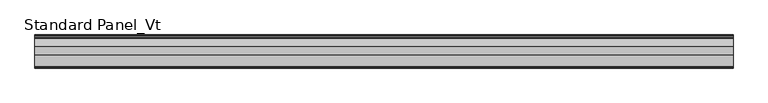
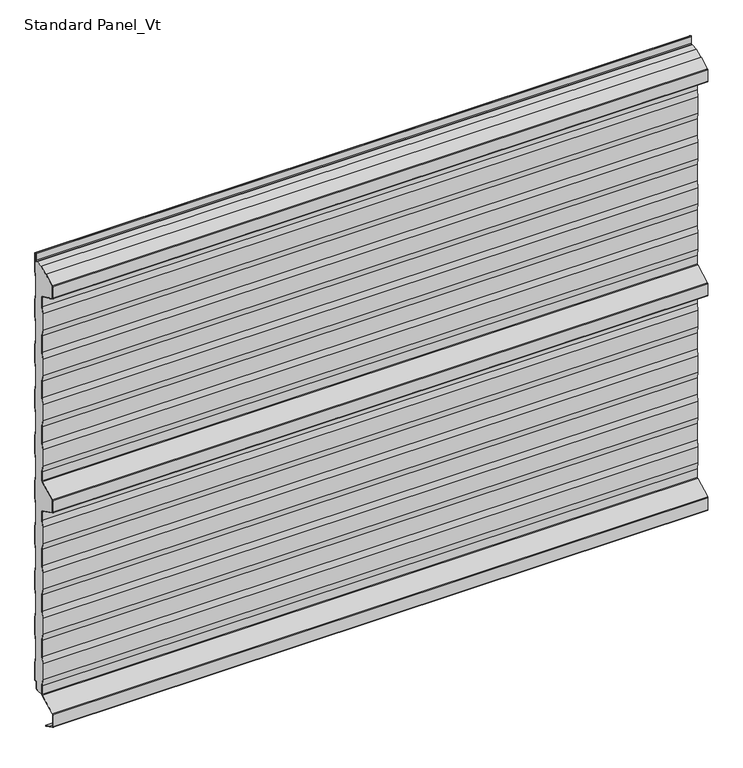
"""IFC4 building model written with IfcOpenShell, lengths in millimetres: proxy geometry, Standard Panel_Vt."""

from ifc_helpers import new_model, si_unit, point, frame, frame_2d, origin, place, context, project, spatial, polyline, circle_curve, trimmed, segment, composite_curve, outline, extrude, source, transform, mapped, element, save
from ifc_brep_helpers import plane_surface, cylinder_surface, revolved_surface, advanced_brep


def standard_panel_vt_1b598bd1(model_context):
    return source(origin(), model_context, "Body", "SolidModel", [
        advanced_brep(
        [(-723.9042608, -26.7, 964.8661831), (-723.9042608, -27.9724364, 966.9238791), (-723.9042608, -55.0045421, 980.423058), (-723.9042608, -55.7702853, 980.6504112), (-723.9042608, -57.4301555, 980.8405987), (-723.9042608, -65.9201502, 985.0802964), (-723.9042608, -66.75, 986.4222721), (-723.9042608, -66.75, 1013.5777279), (-723.9042608, -65.9201502, 1014.9197036), (-723.9042608, -24.25, 1035.7287673), (-723.9042608, -8.130172, 1035.8383571), (-723.9042608, -8.130172, 1035.0383571), (-723.9042608, -6.2001721, 1035.0383571), (-723.9042608, -4.0001723, 1037.2383568), (-723.9042608, -4.0001723, 1053.568183), (-723.9042608, -0.8, 1051.4917405), (-723.9042608, -0.8, 1010.6395671), (-723.9042608, -3.3, 995.6395671), (-723.9042608, -3.3, 957.5071471), (-723.9042608, -0.8, 942.5071471), (-723.9042608, -0.8, 904.6395671), (-723.9042608, -3.3, 889.6395671), (-723.9042608, -3.3, 851.5071471), (-723.9042608, -0.8, 836.5071471), (-723.9042608, -0.8, 798.6395671), (-723.9042608, -3.3, 783.6395671), (-723.9042608, -3.3, 745.5071471), (-723.9042608, -0.8, 730.5071471), (-723.9042608, -0.8, 692.6395671), (-723.9042608, -3.3, 677.6395671), (-723.9042608, -3.3, 639.5071471), (-723.9042608, -0.8, 624.5071471), (-723.9042608, -0.8, 586.1395671), (-723.9042608, -3.3, 571.1395671), (-723.9042608, -3.3, 533.0071471), (-723.9042608, -0.8, 518.0071471), (-723.9042608, -0.8, 480.6395671), (-723.9042608, -3.3, 465.6395671), (-723.9042608, -3.3, 427.5071471), (-723.9042608, -0.8, 412.5071471), (-723.9042608, -0.8, 374.6395671), (-723.9042608, -3.3, 359.6395671), (-723.9042608, -3.3, 321.5071471), (-723.9042608, -0.8, 306.5071471), (-723.9042608, -0.8, 268.6395671), (-723.9042608, -3.3, 253.6395671), (-723.9042608, -3.3, 215.5071471), (-723.9042608, -0.8, 200.5071471), (-723.9042608, -0.8, 162.6395671), (-723.9042608, -3.3, 147.6395671), (-723.9042608, -3.3, 109.5071471), (-723.9042608, -0.8, 94.5071471), (-723.9042608, -0.8, 53.3990389), (-723.9042608, -3.3204106, 55.0344157), (-723.9042608, -6.1001721, 53.5244265), (-723.9042608, -6.1001721, 37.9383564), (-723.9042608, -7.4001714, 36.6383571), (-723.9042608, -9.4001722, 36.6383571), (-723.9042608, -9.4001722, 35.8), (-723.9042608, -27.1622719, 35.7673446), (-723.9042608, -26.7, 37.3959608), (-723.9042608, -26.7, 57.6094989), (-723.9042608, -29.2, 72.448892), (-723.9042608, -29.2, 110.5241033), (-723.9042608, -26.7, 125.3634964), (-723.9042608, -26.7, 163.6094989), (-723.9042608, -29.2, 178.448892), (-723.9042608, -29.2, 216.5241033), (-723.9042608, -26.7, 231.3634964), (-723.9042608, -26.7, 269.6094989), (-723.9042608, -29.2, 284.448892), (-723.9042608, -29.2, 322.5241033), (-723.9042608, -26.7, 337.3634964), (-723.9042608, -26.7, 375.6094989), (-723.9042608, -29.2, 390.448892), (-723.9042608, -29.2, 428.5241033), (-723.9042608, -26.7, 443.3634964), (-723.9042608, -26.7, 463.5777279), (-723.9042608, -28.415023, 466.3511443), (-723.9042608, -65.9201502, 485.0802964), (-723.9042608, -66.75, 486.4222721), (-723.9042608, -66.75, 513.5777279), (-723.9042608, -65.9201502, 514.9197036), (-723.9042608, -28.415023, 533.6488557), (-723.9042608, -26.7, 536.4222721), (-723.9042608, -26.7, 556.6365036), (-723.9042608, -29.2, 571.4758967), (-723.9042608, -29.2, 609.551108), (-723.9042608, -26.7, 624.3905011), (-723.9042608, -26.7, 662.6365036), (-723.9042608, -29.2, 677.4758967), (-723.9042608, -29.2, 715.551108), (-723.9042608, -26.7, 730.3905011), (-723.9042608, -26.7, 768.6365036), (-723.9042608, -29.2, 783.4758967), (-723.9042608, -29.2, 821.551108), (-723.9042608, -26.7, 836.3905011), (-723.9042608, -26.7, 874.6365036), (-723.9042608, -29.2, 889.4758967), (-723.9042608, -29.2, 927.551108), (-723.9042608, -26.7, 942.3905011), (723.9042608, -26.7, 964.8661831), (723.9042608, -26.7, 942.3905011), (723.9042608, -29.2, 927.551108), (723.9042608, -29.2, 889.4758967), (723.9042608, -26.7, 874.6365036), (723.9042608, -26.7, 836.3905011), (723.9042608, -29.2, 821.551108), (723.9042608, -29.2, 783.4758967), (723.9042608, -26.7, 768.6365036), (723.9042608, -26.7, 730.3905011), (723.9042608, -29.2, 715.551108), (723.9042608, -29.2, 677.4758967), (723.9042608, -26.7, 662.6365036), (723.9042608, -26.7, 624.3905011), (723.9042608, -29.2, 609.551108), (723.9042608, -29.2, 571.4758967), (723.9042608, -26.7, 556.6365036), (723.9042608, -26.7, 536.4222721), (723.9042608, -28.415023, 533.6488557), (723.9042608, -65.9201502, 514.9197036), (723.9042608, -66.75, 513.5777279), (723.9042608, -66.75, 486.4222721), (723.9042608, -65.9201502, 485.0802964), (723.9042608, -28.415023, 466.3511443), (723.9042608, -26.7, 463.5777279), (723.9042608, -26.7, 443.3634964), (723.9042608, -29.2, 428.5241033), (723.9042608, -29.2, 390.448892), (723.9042608, -26.7, 375.6094989), (723.9042608, -26.7, 337.3634964), (723.9042608, -29.2, 322.5241033), (723.9042608, -29.2, 284.448892), (723.9042608, -26.7, 269.6094989), (723.9042608, -26.7, 231.3634964), (723.9042608, -29.2, 216.5241033), (723.9042608, -29.2, 178.448892), (723.9042608, -26.7, 163.6094989), (723.9042608, -26.7, 125.3634964), (723.9042608, -29.2, 110.5241033), (723.9042608, -29.2, 72.448892), (723.9042608, -26.7, 57.6094989), (723.9042608, -26.7, 37.3959608), (723.9042608, -27.1622719, 35.7673446), (723.9042608, -9.4001722, 35.8), (723.9042608, -9.4001722, 36.6383571), (723.9042608, -7.4001714, 36.6383571), (723.9042608, -6.1001721, 37.9383564), (723.9042608, -6.1001721, 53.5244265), (723.9042608, -3.3204106, 55.0344157), (723.9042608, -0.8, 53.3990389), (723.9042608, -0.8, 94.5071471), (723.9042608, -3.3, 109.5071471), (723.9042608, -3.3, 147.6395671), (723.9042608, -0.8, 162.6395671), (723.9042608, -0.8, 200.5071471), (723.9042608, -3.3, 215.5071471), (723.9042608, -3.3, 253.6395671), (723.9042608, -0.8, 268.6395671), (723.9042608, -0.8, 306.5071471), (723.9042608, -3.3, 321.5071471), (723.9042608, -3.3, 359.6395671), (723.9042608, -0.8, 374.6395671), (723.9042608, -0.8, 412.5071471), (723.9042608, -3.3, 427.5071471), (723.9042608, -3.3, 465.6395671), (723.9042608, -0.8, 480.6395671), (723.9042608, -0.8, 518.0071471), (723.9042608, -3.3, 533.0071471), (723.9042608, -3.3, 571.1395671), (723.9042608, -0.8, 586.1395671), (723.9042608, -0.8, 624.5071471), (723.9042608, -3.3, 639.5071471), (723.9042608, -3.3, 677.6395671), (723.9042608, -0.8, 692.6395671), (723.9042608, -0.8, 730.5071471), (723.9042608, -3.3, 745.5071471), (723.9042608, -3.3, 783.6395671), (723.9042608, -0.8, 798.6395671), (723.9042608, -0.8, 836.5071471), (723.9042608, -3.3, 851.5071471), (723.9042608, -3.3, 889.6395671), (723.9042608, -0.8, 904.6395671), (723.9042608, -0.8, 942.5071471), (723.9042608, -3.3, 957.5071471), (723.9042608, -3.3, 995.6395671), (723.9042608, -0.8, 1010.6395671), (723.9042608, -0.8, 1051.4917405), (723.9042608, -4.0001723, 1053.568183), (723.9042608, -4.0001723, 1037.2383568), (723.9042608, -6.2001721, 1035.0383571), (723.9042608, -8.130172, 1035.0383571), (723.9042608, -8.130172, 1035.8383571), (723.9042608, -24.25, 1035.8), (723.9042608, -65.9201502, 1014.9197036), (723.9042608, -66.75, 1013.5777279), (723.9042608, -66.75, 986.4222721), (723.9042608, -65.9201502, 985.0802964), (723.9042608, -57.4301555, 980.8405987), (723.9042608, -55.7702853, 980.6504112), (723.9042608, -55.0045421, 980.423058), (723.9042608, -27.9724364, 966.9238791)],
        [
            (0, 1, circle_curve(frame((-723.9042608, -29.0, 964.8661831), z_axis=(1.0, 0.0, 0.0), x_axis=(0.0, 0.0, 1.0)), 2.3)),
            (1, 2),
            (2, 3, circle_curve(frame((-723.9042608, -56.0321057, 978.3653619), z_axis=(1.0, 0.0, 0.0), x_axis=(0.0, 0.0, 1.0)), 2.3)),
            (3, 4),
            (4, 5),
            (5, 6, circle_curve(frame((-723.9042608, -65.25, 986.4222721), z_axis=(-1.0, 0.0, 0.0), x_axis=(0.0, 0.0, 1.0)), 1.5)),
            (6, 7),
            (7, 8, circle_curve(frame((-723.9042608, -65.25, 1013.5777279), z_axis=(-1.0, 0.0, 0.0), x_axis=(0.0, 0.0, 1.0)), 1.5)),
            (8, 9),
            (9, 10),
            (10, 11),
            (11, 12),
            (12, 13, circle_curve(frame((-723.9042608, -6.2001721, 1037.2383568), z_axis=(1.0, 0.0, 0.0), x_axis=(0.0, 0.0, 1.0)), 2.1999997)),
            (13, 14),
            (14, 15),
            (15, 16),
            (16, 17),
            (17, 18),
            (18, 19),
            (19, 20),
            (20, 21),
            (21, 22),
            (22, 23),
            (23, 24),
            (24, 25),
            (25, 26),
            (26, 27),
            (27, 28),
            (28, 29),
            (29, 30),
            (30, 31),
            (31, 32),
            (32, 33),
            (33, 34),
            (34, 35),
            (35, 36),
            (36, 37),
            (37, 38),
            (38, 39),
            (39, 40),
            (40, 41),
            (41, 42),
            (42, 43),
            (43, 44),
            (44, 45),
            (45, 46),
            (46, 47),
            (47, 48),
            (48, 49),
            (49, 50),
            (50, 51),
            (51, 52),
            (52, 53),
            (53, 54, circle_curve(frame((-723.9042608, -4.3001721, 53.5244265), z_axis=(1.0, 0.0, 0.0), x_axis=(0.0, 0.0, 1.0)), 1.8)),
            (54, 55),
            (55, 56, circle_curve(frame((-723.9042608, -7.4001714, 37.9383564), z_axis=(-1.0, 0.0, 0.0), x_axis=(0.0, 0.0, 1.0)), 1.2999993)),
            (56, 57),
            (57, 58),
            (58, 59),
            (59, 60, circle_curve(frame((-723.9042608, -29.8, 37.3959608), z_axis=(1.0, 0.0, 0.0), x_axis=(0.0, 0.0, 1.0)), 3.1)),
            (60, 61),
            (61, 62),
            (62, 63),
            (63, 64),
            (64, 65),
            (65, 66),
            (66, 67),
            (67, 68),
            (68, 69),
            (69, 70),
            (70, 71),
            (71, 72),
            (72, 73),
            (73, 74),
            (74, 75),
            (75, 76),
            (76, 77),
            (77, 78, circle_curve(frame((-723.9042608, -29.8, 463.5777279), z_axis=(1.0, 0.0, 0.0), x_axis=(0.0, 0.0, 1.0)), 3.1)),
            (78, 79),
            (79, 80, circle_curve(frame((-723.9042608, -65.25, 486.4222721), z_axis=(-1.0, 0.0, 0.0), x_axis=(0.0, 0.0, 1.0)), 1.5)),
            (80, 81),
            (81, 82, circle_curve(frame((-723.9042608, -65.25, 513.5777279), z_axis=(-1.0, 0.0, 0.0), x_axis=(0.0, 0.0, 1.0)), 1.5)),
            (82, 83),
            (83, 84, circle_curve(frame((-723.9042608, -29.8, 536.4222721), z_axis=(1.0, 0.0, 0.0), x_axis=(0.0, 0.0, 1.0)), 3.1)),
            (84, 85),
            (85, 86),
            (86, 87),
            (87, 88),
            (88, 89),
            (89, 90),
            (90, 91),
            (91, 92),
            (92, 93),
            (93, 94),
            (94, 95),
            (95, 96),
            (96, 97),
            (97, 98),
            (98, 99),
            (99, 100),
            (100, 0),
            (101, 102),
            (102, 103),
            (103, 104),
            (104, 105),
            (105, 106),
            (106, 107),
            (107, 108),
            (108, 109),
            (109, 110),
            (110, 111),
            (111, 112),
            (112, 113),
            (113, 114),
            (114, 115),
            (115, 116),
            (116, 117),
            (117, 118),
            (118, 119, circle_curve(frame((723.9042608, -29.8, 536.4222721), z_axis=(-1.0, 0.0, 0.0), x_axis=(0.0, 0.0, 1.0)), 3.1)),
            (119, 120),
            (120, 121, circle_curve(frame((723.9042608, -65.25, 513.5777279), z_axis=(1.0, 0.0, 0.0), x_axis=(0.0, 0.0, 1.0)), 1.5)),
            (121, 122),
            (122, 123, circle_curve(frame((723.9042608, -65.25, 486.4222721), z_axis=(1.0, 0.0, 0.0), x_axis=(0.0, 0.0, 1.0)), 1.5)),
            (123, 124),
            (124, 125, circle_curve(frame((723.9042608, -29.8, 463.5777279), z_axis=(-1.0, 0.0, 0.0), x_axis=(0.0, 0.0, 1.0)), 3.1)),
            (125, 126),
            (126, 127),
            (127, 128),
            (128, 129),
            (129, 130),
            (130, 131),
            (131, 132),
            (132, 133),
            (133, 134),
            (134, 135),
            (135, 136),
            (136, 137),
            (137, 138),
            (138, 139),
            (139, 140),
            (140, 141),
            (141, 142),
            (142, 143, circle_curve(frame((723.9042608, -29.8, 37.3959608), z_axis=(-1.0, 0.0, 0.0), x_axis=(0.0, 0.0, 1.0)), 3.1)),
            (143, 144),
            (144, 145),
            (145, 146),
            (146, 147, circle_curve(frame((723.9042608, -7.4001714, 37.9383564), z_axis=(1.0, 0.0, 0.0), x_axis=(0.0, 0.0, 1.0)), 1.2999993)),
            (147, 148),
            (148, 149, circle_curve(frame((723.9042608, -4.3001721, 53.5244265), z_axis=(-1.0, 0.0, 0.0), x_axis=(0.0, 0.0, 1.0)), 1.8)),
            (149, 150),
            (150, 151),
            (151, 152),
            (152, 153),
            (153, 154),
            (154, 155),
            (155, 156),
            (156, 157),
            (157, 158),
            (158, 159),
            (159, 160),
            (160, 161),
            (161, 162),
            (162, 163),
            (163, 164),
            (164, 165),
            (165, 166),
            (166, 167),
            (167, 168),
            (168, 169),
            (169, 170),
            (170, 171),
            (171, 172),
            (172, 173),
            (173, 174),
            (174, 175),
            (175, 176),
            (176, 177),
            (177, 178),
            (178, 179),
            (179, 180),
            (180, 181),
            (181, 182),
            (182, 183),
            (183, 184),
            (184, 185),
            (185, 186),
            (186, 187),
            (187, 188),
            (188, 189),
            (189, 190, circle_curve(frame((723.9042608, -6.2001721, 1037.2383568), z_axis=(-1.0, 0.0, 0.0), x_axis=(0.0, 0.0, 1.0)), 2.1999997)),
            (190, 191),
            (191, 192),
            (192, 193),
            (193, 194),
            (194, 195, circle_curve(frame((723.9042608, -65.25, 1013.5777279), z_axis=(1.0, 0.0, 0.0), x_axis=(0.0, 0.0, 1.0)), 1.5)),
            (195, 196),
            (196, 197, circle_curve(frame((723.9042608, -65.25, 986.4222721), z_axis=(1.0, 0.0, 0.0), x_axis=(0.0, 0.0, 1.0)), 1.5)),
            (197, 198),
            (198, 199),
            (199, 200, circle_curve(frame((723.9042608, -56.0321057, 978.3653619), z_axis=(-1.0, 0.0, 0.0), x_axis=(0.0, 0.0, 1.0)), 2.3)),
            (200, 201),
            (201, 101, circle_curve(frame((723.9042608, -29.0, 964.8661831), z_axis=(-1.0, 0.0, 0.0), x_axis=(0.0, 0.0, 1.0)), 2.3)),
            (0, 101),
            (201, 1),
            (200, 2),
            (199, 3),
            (198, 4),
            (197, 5),
            (196, 6),
            (195, 7),
            (194, 8),
            (193, 9),
            (58, 144),
            (143, 59),
            (142, 60),
            (141, 61),
            (140, 62),
            (139, 63),
            (138, 64),
            (137, 65),
            (136, 66),
            (135, 67),
            (134, 68),
            (133, 69),
            (132, 70),
            (131, 71),
            (130, 72),
            (129, 73),
            (128, 74),
            (127, 75),
            (126, 76),
            (125, 77),
            (124, 78),
            (123, 79),
            (122, 80),
            (121, 81),
            (120, 82),
            (119, 83),
            (118, 84),
            (117, 85),
            (116, 86),
            (115, 87),
            (114, 88),
            (113, 89),
            (112, 90),
            (111, 91),
            (110, 92),
            (109, 93),
            (108, 94),
            (107, 95),
            (106, 96),
            (105, 97),
            (104, 98),
            (103, 99),
            (102, 100),
            (192, 10),
            (57, 145),
            (12, 190),
            (189, 13),
            (188, 14),
            (187, 15),
            (186, 16),
            (185, 17),
            (184, 18),
            (183, 19),
            (182, 20),
            (181, 21),
            (180, 22),
            (179, 23),
            (178, 24),
            (177, 25),
            (176, 26),
            (175, 27),
            (174, 28),
            (173, 29),
            (172, 30),
            (171, 31),
            (170, 32),
            (169, 33),
            (168, 34),
            (167, 35),
            (166, 36),
            (165, 37),
            (164, 38),
            (163, 39),
            (162, 40),
            (161, 41),
            (160, 42),
            (159, 43),
            (158, 44),
            (157, 45),
            (156, 46),
            (155, 47),
            (154, 48),
            (153, 49),
            (152, 50),
            (151, 51),
            (150, 52),
            (149, 53),
            (148, 54),
            (147, 55),
            (146, 56),
            (191, 11),
        ],
        [
            plane_surface(frame((-723.9042608, -29.2, 500.0), z_axis=(-1.0, 0.0, 0.0), x_axis=(0.0, 1.0, 0.0))),
            plane_surface(frame((723.9042608, -29.2, 500.0), z_axis=(1.0, 0.0, 0.0), x_axis=(0.0, 1.0, 0.0))),
            revolved_surface(polyline([(723.9042608, -29.0, 967.1661830999999), (-723.9042608, -29.0, 967.1661830999999)]), (-723.9042608, -29.0, 964.8661831), (1.0, 0.0, 0.0)),
            plane_surface(frame((-723.9042608, -55.0045421, 980.423058), z_axis=(0.0, -0.44676677293789996, -0.8946504628058127), x_axis=(1.0, 0.0, 0.0))),
            revolved_surface(polyline([(723.9042608, -56.0321057, 980.6653619), (-723.9042608, -56.0321057, 980.6653619)]), (-723.9042608, -56.0321057, 978.3653619), (1.0, 0.0, 0.0)),
            plane_surface(frame((-723.9042608, -57.4301555, 980.8405987), z_axis=(0.0, -0.11383496024223502, -0.9934996737929253), x_axis=(1.0, 0.0, 0.0))),
            plane_surface(frame((-723.9042608, -65.9201502, 985.0802964), z_axis=(0.0, -0.44676677293837186, -0.8946504628055771), x_axis=(1.0, 0.0, 0.0))),
            cylinder_surface(frame((-723.9042608, -65.25, 986.4222721), z_axis=(-1.0, 0.0, 0.0), x_axis=(0.0, 0.0, 1.0)), 1.5),
            plane_surface(frame((-723.9042608, -66.75, 1013.5777279), z_axis=(0.0, -1.0, 0.0), x_axis=(1.0, 0.0, 0.0))),
            cylinder_surface(frame((-723.9042608, -65.25, 1013.5777279), z_axis=(-1.0, 0.0, 0.0), x_axis=(0.0, 0.0, 1.0)), 1.5),
            plane_surface(frame((-723.9042608, -24.25, 1035.7287673), z_axis=(0.0, -0.44676677293660805, 0.8946504628064579), x_axis=(1.0, 0.0, 0.0))),
            plane_surface(frame((-723.9042608, -27.1622719, 35.7673446), z_axis=(0.0, 0.0, -1.0), x_axis=(1.0, 0.0, 0.0))),
            revolved_surface(polyline([(723.9042608, -29.8, 40.4959608), (-723.9042608, -29.8, 40.4959608)]), (-723.9042608, -29.8, 37.3959608), (1.0, 0.0, 0.0)),
            plane_surface(frame((-723.9042608, -26.7, 57.6094989), z_axis=(0.0, -1.0, 0.0), x_axis=(1.0, 0.0, 0.0))),
            plane_surface(frame((-723.9042608, -29.2, 72.448892), z_axis=(0.0, -0.9861039564577467, -0.16612942863435845), x_axis=(1.0, 0.0, 0.0))),
            plane_surface(frame((-723.9042608, -29.2, 110.5241033), z_axis=(0.0, -1.0, 0.0), x_axis=(1.0, 0.0, 0.0))),
            plane_surface(frame((-723.9042608, -26.7, 125.3634964), z_axis=(0.0, -0.9861039564577161, 0.1661294286345407), x_axis=(1.0, 0.0, 0.0))),
            plane_surface(frame((-723.9042608, -26.7, 163.6094989), z_axis=(0.0, -1.0, 0.0), x_axis=(1.0, 0.0, 0.0))),
            plane_surface(frame((-723.9042608, -29.2, 178.448892), z_axis=(0.0, -0.986103956457719, -0.16612942863452348), x_axis=(1.0, 0.0, 0.0))),
            plane_surface(frame((-723.9042608, -29.2, 216.5241033), z_axis=(0.0, -1.0, 0.0), x_axis=(1.0, 0.0, 0.0))),
            plane_surface(frame((-723.9042608, -26.7, 231.3634964), z_axis=(0.0, -0.9861039564577161, 0.1661294286345407), x_axis=(1.0, 0.0, 0.0))),
            plane_surface(frame((-723.9042608, -26.7, 269.6094989), z_axis=(0.0, -1.0, 0.0), x_axis=(1.0, 0.0, 0.0))),
            plane_surface(frame((-723.9042608, -29.2, 284.448892), z_axis=(0.0, -0.9861039564577467, -0.16612942863435845), x_axis=(1.0, 0.0, 0.0))),
            plane_surface(frame((-723.9042608, -29.2, 322.5241033), z_axis=(0.0, -1.0, 0.0), x_axis=(1.0, 0.0, 0.0))),
            plane_surface(frame((-723.9042608, -26.7, 337.3634964), z_axis=(0.0, -0.9861039564576843, 0.1661294286347293), x_axis=(1.0, 0.0, 0.0))),
            plane_surface(frame((-723.9042608, -26.7, 375.6094989), z_axis=(0.0, -1.0, 0.0), x_axis=(1.0, 0.0, 0.0))),
            plane_surface(frame((-723.9042608, -29.2, 390.448892), z_axis=(0.0, -0.986103956457719, -0.16612942863452348), x_axis=(1.0, 0.0, 0.0))),
            plane_surface(frame((-723.9042608, -29.2, 428.5241033), z_axis=(0.0, -1.0, 0.0), x_axis=(1.0, 0.0, 0.0))),
            plane_surface(frame((-723.9042608, -26.7, 443.3634964), z_axis=(0.0, -0.9861039564577478, 0.16612942863435207), x_axis=(1.0, 0.0, 0.0))),
            plane_surface(frame((-723.9042608, -26.7, 463.5777279), z_axis=(0.0, -1.0, 0.0), x_axis=(1.0, 0.0, 0.0))),
            revolved_surface(polyline([(723.9042608, -29.8, 466.67772790000004), (-723.9042608, -29.8, 466.67772790000004)]), (-723.9042608, -29.8, 463.5777279), (1.0, 0.0, 0.0)),
            plane_surface(frame((-723.9042608, -65.9201502, 485.0802964), z_axis=(0.0, -0.44676677293736405, -0.8946504628060804), x_axis=(1.0, 0.0, 0.0))),
            cylinder_surface(frame((-723.9042608, -65.25, 486.4222721), z_axis=(-1.0, 0.0, 0.0), x_axis=(0.0, 0.0, 1.0)), 1.5),
            plane_surface(frame((-723.9042608, -66.75, 513.5777279), z_axis=(0.0, -1.0, 0.0), x_axis=(1.0, 0.0, 0.0))),
            cylinder_surface(frame((-723.9042608, -65.25, 513.5777279), z_axis=(-1.0, 0.0, 0.0), x_axis=(0.0, 0.0, 1.0)), 1.5),
            plane_surface(frame((-723.9042608, -28.415023, 533.6488557), z_axis=(0.0, -0.4467667729375559, 0.8946504628059846), x_axis=(1.0, 0.0, 0.0))),
            revolved_surface(polyline([(723.9042608, -29.8, 539.5222721), (-723.9042608, -29.8, 539.5222721)]), (-723.9042608, -29.8, 536.4222721), (1.0, 0.0, 0.0)),
            plane_surface(frame((-723.9042608, -26.7, 556.6365036), z_axis=(0.0, -1.0, 0.0), x_axis=(1.0, 0.0, 0.0))),
            plane_surface(frame((-723.9042608, -29.2, 571.4758967), z_axis=(0.0, -0.9861039564577035, -0.16612942863461475), x_axis=(1.0, 0.0, 0.0))),
            plane_surface(frame((-723.9042608, -29.2, 609.551108), z_axis=(0.0, -1.0, 0.0), x_axis=(1.0, 0.0, 0.0))),
            plane_surface(frame((-723.9042608, -26.7, 624.3905011), z_axis=(0.0, -0.9861039564576689, 0.16612942863482055), x_axis=(1.0, 0.0, 0.0))),
            plane_surface(frame((-723.9042608, -26.7, 662.6365036), z_axis=(0.0, -1.0, 0.0), x_axis=(1.0, 0.0, 0.0))),
            plane_surface(frame((-723.9042608, -29.2, 677.4758967), z_axis=(0.0, -0.986103956457711, -0.16612942863457064), x_axis=(1.0, 0.0, 0.0))),
            plane_surface(frame((-723.9042608, -29.2, 715.551108), z_axis=(0.0, -1.0, 0.0), x_axis=(1.0, 0.0, 0.0))),
            plane_surface(frame((-723.9042608, -26.7, 730.3905011), z_axis=(0.0, -0.9861039564577478, 0.16612942863435207), x_axis=(1.0, 0.0, 0.0))),
            plane_surface(frame((-723.9042608, -26.7, 768.6365036), z_axis=(0.0, -1.0, 0.0), x_axis=(1.0, 0.0, 0.0))),
            plane_surface(frame((-723.9042608, -29.2, 783.4758967), z_axis=(0.0, -0.986103956457715, -0.16612942863454708), x_axis=(1.0, 0.0, 0.0))),
            plane_surface(frame((-723.9042608, -29.2, 821.551108), z_axis=(0.0, -1.0, 0.0), x_axis=(1.0, 0.0, 0.0))),
            plane_surface(frame((-723.9042608, -26.7, 836.3905011), z_axis=(0.0, -0.9861039564577161, 0.1661294286345407), x_axis=(1.0, 0.0, 0.0))),
            plane_surface(frame((-723.9042608, -26.7, 874.6365036), z_axis=(0.0, -1.0, 0.0), x_axis=(1.0, 0.0, 0.0))),
            plane_surface(frame((-723.9042608, -29.2, 889.4758967), z_axis=(0.0, -0.986103956457715, -0.16612942863454708), x_axis=(1.0, 0.0, 0.0))),
            plane_surface(frame((-723.9042608, -29.2, 927.551108), z_axis=(0.0, -1.0, 0.0), x_axis=(1.0, 0.0, 0.0))),
            plane_surface(frame((-723.9042608, -26.7, 942.3905011), z_axis=(0.0, -0.9861039564576843, 0.1661294286347293), x_axis=(1.0, 0.0, 0.0))),
            plane_surface(frame((-723.9042608, -26.7, 964.8661831), z_axis=(0.0, -1.0, 0.0), x_axis=(1.0, 0.0, 0.0))),
            plane_surface(frame((723.9042608, -24.25, 1035.8), z_axis=(0.0, 0.0, 1.0), x_axis=(-1.0, 0.0, 0.0))),
            plane_surface(frame((723.9042608, -9.4001722, 1035.8), z_axis=(0.0, 1.0, 0.0), x_axis=(-1.0, 0.0, 0.0))),
            revolved_surface(polyline([(723.9042608, -6.2001721, 1039.4383565), (-723.9042608, -6.2001721, 1039.4383565)]), (-723.9042608, -6.2001721, 1037.2383568), (1.0, 0.0, 0.0)),
            plane_surface(frame((-723.9042608, -4.0001723, 1053.568183), z_axis=(0.0, -1.0, 0.0), x_axis=(1.0, 0.0, 0.0))),
            plane_surface(frame((-723.9042608, -0.8, 1051.4917405), z_axis=(0.0, 0.5443119480328179, 0.8388828900560071), x_axis=(1.0, 0.0, 0.0))),
            plane_surface(frame((-723.9042608, -0.8, 1010.6395671), z_axis=(0.0, 1.0, 0.0), x_axis=(1.0, 0.0, 0.0))),
            plane_surface(frame((-723.9042608, -3.3, 995.6395671), z_axis=(0.0, 0.9863939238321534, -0.16439898730529956), x_axis=(1.0, 0.0, 0.0))),
            plane_surface(frame((-723.9042608, -3.3, 957.5071471), z_axis=(0.0, 1.0, 0.0), x_axis=(1.0, 0.0, 0.0))),
            plane_surface(frame((-723.9042608, -0.8, 942.5071471), z_axis=(0.0, 0.9863939238321456, 0.1643989873053465), x_axis=(1.0, 0.0, 0.0))),
            plane_surface(frame((-723.9042608, -0.8, 904.6395671), z_axis=(0.0, 1.0, 0.0), x_axis=(1.0, 0.0, 0.0))),
            plane_surface(frame((-723.9042608, -3.3, 889.6395671), z_axis=(0.0, 0.9863939238321452, -0.16439898730534863), x_axis=(1.0, 0.0, 0.0))),
            plane_surface(frame((-723.9042608, -3.3, 851.5071471), z_axis=(0.0, 1.0, 0.0), x_axis=(1.0, 0.0, 0.0))),
            plane_surface(frame((-723.9042608, -0.8, 836.5071471), z_axis=(0.0, 0.9863939238321413, 0.16439898730537209), x_axis=(1.0, 0.0, 0.0))),
            plane_surface(frame((-723.9042608, -0.8, 798.6395671), z_axis=(0.0, 1.0, 0.0), x_axis=(1.0, 0.0, 0.0))),
            plane_surface(frame((-723.9042608, -3.3, 783.6395671), z_axis=(0.0, 0.9863939238321713, -0.164398987305192), x_axis=(1.0, 0.0, 0.0))),
            plane_surface(frame((-723.9042608, -3.3, 745.5071471), z_axis=(0.0, 1.0, 0.0), x_axis=(1.0, 0.0, 0.0))),
            plane_surface(frame((-723.9042608, -0.8, 730.5071471), z_axis=(0.0, 0.9863939238321595, 0.16439898730526276), x_axis=(1.0, 0.0, 0.0))),
            plane_surface(frame((-723.9042608, -0.8, 692.6395671), z_axis=(0.0, 1.0, 0.0), x_axis=(1.0, 0.0, 0.0))),
            plane_surface(frame((-723.9042608, -3.3, 677.6395671), z_axis=(0.0, 0.9863939238321285, -0.16439898730544858), x_axis=(1.0, 0.0, 0.0))),
            plane_surface(frame((-723.9042608, -3.3, 639.5071471), z_axis=(0.0, 1.0, 0.0), x_axis=(1.0, 0.0, 0.0))),
            plane_surface(frame((-723.9042608, -0.8, 624.5071471), z_axis=(0.0, 0.986393923832452, 0.16439898730350827), x_axis=(1.0, 0.0, 0.0))),
            plane_surface(frame((-723.9042608, -0.8, 586.1395671), z_axis=(0.0, 1.0, 0.0), x_axis=(1.0, 0.0, 0.0))),
            plane_surface(frame((-723.9042608, -3.3, 571.1395671), z_axis=(0.0, 0.986393923832151, -0.16439898730531435), x_axis=(1.0, 0.0, 0.0))),
            plane_surface(frame((-723.9042608, -3.3, 533.0071471), z_axis=(0.0, 1.0, 0.0), x_axis=(1.0, 0.0, 0.0))),
            plane_surface(frame((-723.9042608, -0.8, 518.0071471), z_axis=(0.0, 0.9863939238329182, 0.1643989873007107), x_axis=(1.0, 0.0, 0.0))),
            plane_surface(frame((-723.9042608, -0.8, 480.6395671), z_axis=(0.0, 1.0, 0.0), x_axis=(1.0, 0.0, 0.0))),
            plane_surface(frame((-723.9042608, -3.3, 465.6395671), z_axis=(0.0, 0.986393923832576, -0.1643989873027638), x_axis=(1.0, 0.0, 0.0))),
            plane_surface(frame((-723.9042608, -3.3, 427.5071471), z_axis=(0.0, 1.0, 0.0), x_axis=(1.0, 0.0, 0.0))),
            plane_surface(frame((-723.9042608, -0.8, 412.5071471), z_axis=(0.0, 0.9863939238321462, 0.1643989873053435), x_axis=(1.0, 0.0, 0.0))),
            plane_surface(frame((-723.9042608, -0.8, 374.6395671), z_axis=(0.0, 1.0, 0.0), x_axis=(1.0, 0.0, 0.0))),
            plane_surface(frame((-723.9042608, -3.3, 359.6395671), z_axis=(0.0, 0.9863939238321415, -0.16439898730537109), x_axis=(1.0, 0.0, 0.0))),
            plane_surface(frame((-723.9042608, -3.3, 321.5071471), z_axis=(0.0, 1.0, 0.0), x_axis=(1.0, 0.0, 0.0))),
            plane_surface(frame((-723.9042608, -0.8, 306.5071471), z_axis=(0.0, 0.9863939238321462, 0.1643989873053435), x_axis=(1.0, 0.0, 0.0))),
            plane_surface(frame((-723.9042608, -0.8, 268.6395671), z_axis=(0.0, 1.0, 0.0), x_axis=(1.0, 0.0, 0.0))),
            plane_surface(frame((-723.9042608, -3.3, 253.6395671), z_axis=(0.0, 0.9863939238321723, -0.16439898730518634), x_axis=(1.0, 0.0, 0.0))),
            plane_surface(frame((-723.9042608, -3.3, 215.5071471), z_axis=(0.0, 1.0, 0.0), x_axis=(1.0, 0.0, 0.0))),
            plane_surface(frame((-723.9042608, -0.8, 200.5071471), z_axis=(0.0, 0.9863939238321462, 0.1643989873053435), x_axis=(1.0, 0.0, 0.0))),
            plane_surface(frame((-723.9042608, -0.8, 162.6395671), z_axis=(0.0, 1.0, 0.0), x_axis=(1.0, 0.0, 0.0))),
            plane_surface(frame((-723.9042608, -3.3, 147.6395671), z_axis=(0.0, 0.9863939238321415, -0.16439898730537109), x_axis=(1.0, 0.0, 0.0))),
            plane_surface(frame((-723.9042608, -3.3, 109.5071471), z_axis=(0.0, 1.0, 0.0), x_axis=(1.0, 0.0, 0.0))),
            plane_surface(frame((-723.9042608, -0.8, 94.5071471), z_axis=(0.0, 0.9863939238321769, 0.16439898730515876), x_axis=(1.0, 0.0, 0.0))),
            plane_surface(frame((-723.9042608, -0.8, 53.3990389), z_axis=(0.0, 1.0, 0.0), x_axis=(1.0, 0.0, 0.0))),
            plane_surface(frame((-723.9042608, -3.3204106, 55.0344157), z_axis=(0.0, -0.5443119480359504, -0.8388828900539747), x_axis=(1.0, 0.0, 0.0))),
            revolved_surface(polyline([(723.9042608, -4.3001721, 55.324426499999994), (-723.9042608, -4.3001721, 55.324426499999994)]), (-723.9042608, -4.3001721, 53.5244265), (1.0, 0.0, 0.0)),
            plane_surface(frame((-723.9042608, -6.1001721, 37.9383564), z_axis=(0.0, 1.0, 0.0), x_axis=(1.0, 0.0, 0.0))),
            cylinder_surface(frame((-723.9042608, -7.4001714, 37.9383564), z_axis=(-1.0, 0.0, 0.0), x_axis=(0.0, 0.0, 1.0)), 1.2999993),
            plane_surface(frame((-723.9042608, -9.4001722, 36.6383571), z_axis=(0.0, 0.0, -1.0), x_axis=(1.0, 0.0, 0.0))),
            plane_surface(frame((-723.9042608, -8.130172, 1035.0383571), z_axis=(0.0, 1.0, 0.0), x_axis=(1.0, 0.0, 0.0))),
            plane_surface(frame((-723.9042608, -6.2001721, 1035.0383571), z_axis=(0.0, 0.0, 1.0), x_axis=(1.0, 0.0, 0.0))),
        ],
        [
            (0, [[1, 2, 3, 4, 5, 6, 7, 8, 9, 10, 11, 12, 13, 14, 15, 16, 17, 18, 19, 20, 21, 22, 23, 24, 25, 26, 27, 28, 29, 30, 31, 32, 33, 34, 35, 36, 37, 38, 39, 40, 41, 42, 43, 44, 45, 46, 47, 48, 49, 50, 51, 52, 53, 54, 55, 56, 57, 58, 59, 60, 61, 62, 63, 64, 65, 66, 67, 68, 69, 70, 71, 72, 73, 74, 75, 76, 77, 78, 79, 80, 81, 82, 83, 84, 85, 86, 87, 88, 89, 90, 91, 92, 93, 94, 95, 96, 97, 98, 99, 100, 101]]),
            (1, [[102, 103, 104, 105, 106, 107, 108, 109, 110, 111, 112, 113, 114, 115, 116, 117, 118, 119, 120, 121, 122, 123, 124, 125, 126, 127, 128, 129, 130, 131, 132, 133, 134, 135, 136, 137, 138, 139, 140, 141, 142, 143, 144, 145, 146, 147, 148, 149, 150, 151, 152, 153, 154, 155, 156, 157, 158, 159, 160, 161, 162, 163, 164, 165, 166, 167, 168, 169, 170, 171, 172, 173, 174, 175, 176, 177, 178, 179, 180, 181, 182, 183, 184, 185, 186, 187, 188, 189, 190, 191, 192, 193, 194, 195, 196, 197, 198, 199, 200, 201, 202]]),
            (2, [[203, -202, 204, -1]]),
            (3, [[-204, -201, 205, -2]]),
            (4, [[-205, -200, 206, -3]]),
            (5, [[-206, -199, 207, -4]]),
            (6, [[-207, -198, 208, -5]]),
            (7, [[-208, -197, 209, -6]]),
            (8, [[-209, -196, 210, -7]]),
            (9, [[-210, -195, 211, -8]]),
            (10, [[-211, -194, 212, -9]]),
            (11, [[-59, 213, -144, 214]]),
            (12, [[-214, -143, 215, -60]]),
            (13, [[-215, -142, 216, -61]]),
            (14, [[-216, -141, 217, -62]]),
            (15, [[-217, -140, 218, -63]]),
            (16, [[-218, -139, 219, -64]]),
            (17, [[-219, -138, 220, -65]]),
            (18, [[-220, -137, 221, -66]]),
            (19, [[-221, -136, 222, -67]]),
            (20, [[-222, -135, 223, -68]]),
            (21, [[-223, -134, 224, -69]]),
            (22, [[-224, -133, 225, -70]]),
            (23, [[-225, -132, 226, -71]]),
            (24, [[-226, -131, 227, -72]]),
            (25, [[-227, -130, 228, -73]]),
            (26, [[-228, -129, 229, -74]]),
            (27, [[-229, -128, 230, -75]]),
            (28, [[-230, -127, 231, -76]]),
            (29, [[-231, -126, 232, -77]]),
            (30, [[-232, -125, 233, -78]]),
            (31, [[-233, -124, 234, -79]]),
            (32, [[-234, -123, 235, -80]]),
            (33, [[-235, -122, 236, -81]]),
            (34, [[-236, -121, 237, -82]]),
            (35, [[-237, -120, 238, -83]]),
            (36, [[-238, -119, 239, -84]]),
            (37, [[-239, -118, 240, -85]]),
            (38, [[-240, -117, 241, -86]]),
            (39, [[-241, -116, 242, -87]]),
            (40, [[-242, -115, 243, -88]]),
            (41, [[-243, -114, 244, -89]]),
            (42, [[-244, -113, 245, -90]]),
            (43, [[-245, -112, 246, -91]]),
            (44, [[-246, -111, 247, -92]]),
            (45, [[-247, -110, 248, -93]]),
            (46, [[-248, -109, 249, -94]]),
            (47, [[-249, -108, 250, -95]]),
            (48, [[-250, -107, 251, -96]]),
            (49, [[-251, -106, 252, -97]]),
            (50, [[-252, -105, 253, -98]]),
            (51, [[-253, -104, 254, -99]]),
            (52, [[-254, -103, 255, -100]]),
            (53, [[-255, -102, -203, -101]]),
            (54, [[256, -10, -212, -193]]),
            (55, [[-58, 257, -145, -213]]),
            (56, [[258, -190, 259, -13]]),
            (57, [[-259, -189, 260, -14]]),
            (58, [[-260, -188, 261, -15]]),
            (59, [[-261, -187, 262, -16]]),
            (60, [[-262, -186, 263, -17]]),
            (61, [[-263, -185, 264, -18]]),
            (62, [[-264, -184, 265, -19]]),
            (63, [[-265, -183, 266, -20]]),
            (64, [[-266, -182, 267, -21]]),
            (65, [[-267, -181, 268, -22]]),
            (66, [[-268, -180, 269, -23]]),
            (67, [[-269, -179, 270, -24]]),
            (68, [[-270, -178, 271, -25]]),
            (69, [[-271, -177, 272, -26]]),
            (70, [[-272, -176, 273, -27]]),
            (71, [[-273, -175, 274, -28]]),
            (72, [[-274, -174, 275, -29]]),
            (73, [[-275, -173, 276, -30]]),
            (74, [[-276, -172, 277, -31]]),
            (75, [[-277, -171, 278, -32]]),
            (76, [[-278, -170, 279, -33]]),
            (77, [[-279, -169, 280, -34]]),
            (78, [[-280, -168, 281, -35]]),
            (79, [[-281, -167, 282, -36]]),
            (80, [[-282, -166, 283, -37]]),
            (81, [[-283, -165, 284, -38]]),
            (82, [[-284, -164, 285, -39]]),
            (83, [[-285, -163, 286, -40]]),
            (84, [[-286, -162, 287, -41]]),
            (85, [[-287, -161, 288, -42]]),
            (86, [[-288, -160, 289, -43]]),
            (87, [[-289, -159, 290, -44]]),
            (88, [[-290, -158, 291, -45]]),
            (89, [[-291, -157, 292, -46]]),
            (90, [[-292, -156, 293, -47]]),
            (91, [[-293, -155, 294, -48]]),
            (92, [[-294, -154, 295, -49]]),
            (93, [[-295, -153, 296, -50]]),
            (94, [[-296, -152, 297, -51]]),
            (95, [[-297, -151, 298, -52]]),
            (96, [[-298, -150, 299, -53]]),
            (97, [[-299, -149, 300, -54]]),
            (98, [[-300, -148, 301, -55]]),
            (99, [[-301, -147, 302, -56]]),
            (100, [[-302, -146, -257, -57]]),
            (101, [[-256, -192, 303, -11]]),
            (102, [[-303, -191, -258, -12]]),
        ],
    ),
        extrude(outline(composite_curve([segment(polyline([(-26.7, 964.8661831), (-26.7, 942.3905011), (-29.2, 927.551108), (-29.2, 889.4758967), (-26.7, 874.6365036), (-26.7, 836.3905011), (-29.2, 821.551108), (-29.2, 783.4758967), (-26.7, 768.6365036), (-26.7, 730.3905011), (-29.2, 715.551108), (-29.2, 677.4758967), (-26.7, 662.6365036), (-26.7, 624.3905011), (-29.2, 609.551108), (-29.2, 571.4758967), (-26.7, 556.6365036), (-26.7, 536.4222721)]), True, "CONTINUOUS"), segment(trimmed(circle_curve(frame_2d((-29.8, 536.4222721)), 3.1), [point((-26.7, 536.4222721))], [point((-28.415023, 533.6488557))], False, "CARTESIAN"), True, "CONTINUOUS"), segment(polyline([(-28.415023, 533.6488557), (-65.9201502, 514.9197036)]), True, "CONTINUOUS"), segment(trimmed(circle_curve(frame_2d((-65.25, 513.5777279)), 1.5), [point((-65.9201502, 514.9197036))], [point((-66.75, 513.5777279))], True, "CARTESIAN"), True, "CONTINUOUS"), segment(polyline([(-66.75, 513.5777279), (-66.75, 486.4222721)]), True, "CONTINUOUS"), segment(trimmed(circle_curve(frame_2d((-65.25, 486.4222721)), 1.5), [point((-66.75, 486.4222721))], [point((-65.9201502, 485.0802964))], True, "CARTESIAN"), True, "CONTINUOUS"), segment(polyline([(-65.9201502, 485.0802964), (-28.415023, 466.3511443)]), True, "CONTINUOUS"), segment(trimmed(circle_curve(frame_2d((-29.8, 463.5777279)), 3.1), [point((-28.415023, 466.3511443))], [point((-26.7, 463.5777279))], False, "CARTESIAN"), True, "CONTINUOUS"), segment(polyline([(-26.7, 463.5777279), (-26.7, 443.3634964), (-29.2, 428.5241033), (-29.2, 390.448892), (-26.7, 375.6094989), (-26.7, 337.3634964), (-29.2, 322.5241033), (-29.2, 284.448892), (-26.7, 269.6094989), (-26.7, 231.3634964), (-29.2, 216.5241033), (-29.2, 178.448892), (-26.7, 163.6094989), (-26.7, 125.3634964), (-29.2, 110.5241033), (-29.2, 72.448892), (-26.7, 57.6094989), (-26.7, 37.3959608)]), True, "CONTINUOUS"), segment(trimmed(circle_curve(frame_2d((-29.8, 37.3959608)), 3.1), [point((-26.7, 37.3959608))], [point((-28.4162325, 34.6219407))], False, "CARTESIAN"), True, "CONTINUOUS"), segment(polyline([(-28.4162325, 34.6219407), (-66.910808, 15.419649)]), True, "CONTINUOUS"), segment(trimmed(circle_curve(frame_2d((-66.241243, 14.0773812)), 1.5), [point((-66.910808, 15.419649))], [point((-67.741243, 14.0773812))], True, "CARTESIAN"), True, "CONTINUOUS"), segment(polyline([(-67.741243, 14.0773812), (-67.741243, -14.0773812)]), True, "CONTINUOUS"), segment(trimmed(circle_curve(frame_2d((-66.241243, -14.0773812)), 1.5), [point((-67.741243, -14.0773812))], [point((-66.9113932, -15.4193569))], True, "CARTESIAN"), True, "CONTINUOUS"), segment(polyline([(-66.9113932, -15.4193569), (-54.7640727, -21.4854346), (-54.4066593, -20.7697142), (-41.7026227, -27.1138024)]), True, "CONTINUOUS"), segment(trimmed(circle_curve(frame_2d((-42.0600361, -27.8295227)), 0.8), [point((-41.7026227, -27.1138024))], [point((-42.4174495, -28.5452431))], False, "CARTESIAN"), True, "CONTINUOUS"), segment(polyline([(-42.4174495, -28.5452431), (-67.2688066, -16.1350773)]), True, "CONTINUOUS"), segment(trimmed(circle_curve(frame_2d((-66.241243, -14.0773812)), 2.3), [point((-67.2688066, -16.1350773))], [point((-68.541243, -14.0773812))], False, "CARTESIAN"), True, "CONTINUOUS"), segment(polyline([(-68.541243, -14.0773812), (-68.541243, 14.0773812)]), True, "CONTINUOUS"), segment(trimmed(circle_curve(frame_2d((-66.241243, 14.0773812)), 2.3), [point((-68.541243, 14.0773812))], [point((-67.2679093, 16.1355252))], False, "CARTESIAN"), True, "CONTINUOUS"), segment(polyline([(-67.2679093, 16.1355252), (-28.7733338, 35.3378168)]), True, "CONTINUOUS"), segment(trimmed(circle_curve(frame_2d((-29.8, 37.3959608)), 2.3), [point((-28.7733338, 35.3378168))], [point((-27.5, 37.3959608))], True, "CARTESIAN"), True, "CONTINUOUS"), segment(polyline([(-27.5, 37.3959608), (-27.5, 57.5425822), (-30.0, 72.3819753), (-30.0, 110.59102), (-27.5, 125.4304131), (-27.5, 163.5425822), (-30.0, 178.3819753), (-30.0, 216.59102), (-27.5, 231.4304131), (-27.5, 269.5425822), (-30.0, 284.3819753), (-30.0, 322.59102), (-27.5, 337.4304131), (-27.5, 375.5425822), (-30.0, 390.3819753), (-30.0, 428.59102), (-27.5, 443.4304131), (-27.5, 463.5777279)]), True, "CONTINUOUS"), segment(trimmed(circle_curve(frame_2d((-29.8, 463.5777279)), 2.3), [point((-27.5, 463.5777279))], [point((-28.7724364, 465.6354239))], True, "CARTESIAN"), True, "CONTINUOUS"), segment(polyline([(-28.7724364, 465.6354239), (-66.2775636, 484.3645761)]), True, "CONTINUOUS"), segment(trimmed(circle_curve(frame_2d((-65.25, 486.4222721)), 2.3), [point((-66.2775636, 484.3645761))], [point((-67.55, 486.4222721))], False, "CARTESIAN"), True, "CONTINUOUS"), segment(polyline([(-67.55, 486.4222721), (-67.55, 513.5777279)]), True, "CONTINUOUS"), segment(trimmed(circle_curve(frame_2d((-65.25, 513.5777279)), 2.3), [point((-67.55, 513.5777279))], [point((-66.2775636, 515.6354239))], False, "CARTESIAN"), True, "CONTINUOUS"), segment(polyline([(-66.2775636, 515.6354239), (-28.7724364, 534.3645761)]), True, "CONTINUOUS"), segment(trimmed(circle_curve(frame_2d((-29.8, 536.4222721)), 2.3), [point((-28.7724364, 534.3645761))], [point((-27.5, 536.4222721))], True, "CARTESIAN"), True, "CONTINUOUS"), segment(polyline([(-27.5, 536.4222721), (-27.5, 556.5695869), (-30.0, 571.40898), (-30.0, 609.6180247), (-27.5, 624.4574178), (-27.5, 662.5695869), (-30.0, 677.40898), (-30.0, 715.6180247), (-27.5, 730.4574178), (-27.5, 768.5695869), (-30.0, 783.40898), (-30.0, 821.6180247), (-27.5, 836.4574178), (-27.5, 874.5695869), (-30.0, 889.40898), (-30.0, 927.6180247), (-27.5, 942.4574178), (-27.5, 964.8661831)]), True, "CONTINUOUS"), segment(trimmed(circle_curve(frame_2d((-29.0, 964.8661831)), 1.5), [point((-27.5, 964.8661831))], [point((-28.3298498, 966.2081587))], True, "CARTESIAN"), True, "CONTINUOUS"), segment(polyline([(-28.3298498, 966.2081587), (-55.5985821, 979.8255032), (-57.6613681, 980.0618567), (-66.2775636, 984.3645761)]), True, "CONTINUOUS"), segment(trimmed(circle_curve(frame_2d((-65.25, 986.4222721)), 2.3), [point((-66.2775636, 984.3645761))], [point((-67.55, 986.4222721))], False, "CARTESIAN"), True, "CONTINUOUS"), segment(polyline([(-67.55, 986.4222721), (-67.55, 1013.5777279)]), True, "CONTINUOUS"), segment(trimmed(circle_curve(frame_2d((-65.25, 1013.5777279)), 2.3), [point((-67.55, 1013.5777279))], [point((-66.2775636, 1015.6354239))], False, "CARTESIAN"), True, "CONTINUOUS"), segment(polyline([(-66.2775636, 1015.6354239), (-42.499787, 1027.5094696), (-42.1423736, 1026.7937493), (-65.9201502, 1014.9197036)]), True, "CONTINUOUS"), segment(trimmed(circle_curve(frame_2d((-65.25, 1013.5777279)), 1.5), [point((-65.9201502, 1014.9197036))], [point((-66.75, 1013.5777279))], True, "CARTESIAN"), True, "CONTINUOUS"), segment(polyline([(-66.75, 1013.5777279), (-66.75, 986.4222721)]), True, "CONTINUOUS"), segment(trimmed(circle_curve(frame_2d((-65.25, 986.4222721)), 1.5), [point((-66.75, 986.4222721))], [point((-65.9201502, 985.0802964))], True, "CARTESIAN"), True, "CONTINUOUS"), segment(polyline([(-65.9201502, 985.0802964), (-57.4301555, 980.8405987), (-55.7702853, 980.6504112)]), True, "CONTINUOUS"), segment(trimmed(circle_curve(frame_2d((-56.0321057, 978.3653619)), 2.3), [point((-55.7702853, 980.6504112))], [point((-55.0045421, 980.423058))], False, "CARTESIAN"), True, "CONTINUOUS"), segment(polyline([(-55.0045421, 980.423058), (-27.9724364, 966.9238791)]), True, "CONTINUOUS"), segment(trimmed(circle_curve(frame_2d((-29.0, 964.8661831)), 2.3), [point((-27.9724364, 966.9238791))], [point((-26.7, 964.8661831))], False, "CARTESIAN"), True, "CONTINUOUS")], self_intersect=False)), frame((-723.9042608, 0.0, 0.0), z_axis=(1.0, 0.0, 0.0), x_axis=(0.0, 1.0, 0.0)), (0.0, 0.0, 1.0), 1447.8085217),
        extrude(outline(composite_curve([segment(trimmed(circle_curve(frame_2d((-6.2001721, 1037.2383568)), 1.3999997), [point((-6.2001721, 1035.8383571))], [point((-4.8001723, 1037.2383568))], True, "CARTESIAN"), True, "CONTINUOUS"), segment(polyline([(-4.8001723, 1037.2383568), (-4.8001723, 1053.2)]), True, "CONTINUOUS"), segment(trimmed(circle_curve(frame_2d((-3.8001723, 1053.2)), 1.0), [point((-4.8001723, 1053.2))], [point((-3.2558604, 1054.0388829))], False, "CARTESIAN"), True, "CONTINUOUS"), segment(polyline([(-3.2558604, 1054.0388829), (-0.4556881, 1052.2219818)]), True, "CONTINUOUS"), segment(trimmed(circle_curve(frame_2d((-1.0, 1051.3830989)), 1.0), [point((-0.4556881, 1052.2219818))], [point((0.0, 1051.3830989))], False, "CARTESIAN"), True, "CONTINUOUS"), segment(polyline([(0.0, 1051.3830989), (0.0, 1010.5733571), (-2.5, 995.5733571), (-2.5, 957.5733571), (0.0, 942.5733571), (0.0, 904.5733571), (-2.5, 889.5733571), (-2.5, 851.5733571), (0.0, 836.5733571), (0.0, 798.5733571), (-2.5, 783.5733571), (-2.5, 745.5733571), (0.0, 730.5733571), (0.0, 692.5733571), (-2.5, 677.5733571), (-2.5, 639.5733571), (0.0, 624.5733571), (0.0, 586.0733571), (-2.5, 571.0733571), (-2.5, 533.0733571), (0.0, 518.0733571), (0.0, 480.5733571), (-2.5, 465.5733571), (-2.5, 427.5733571), (0.0, 412.5733571), (0.0, 374.5733571), (-2.5, 359.5733571), (-2.5, 321.5733571), (0.0, 306.5733571), (0.0, 268.5733571), (-2.5, 253.5733571), (-2.5, 215.5733571), (0.0, 200.5733571), (0.0, 162.5733571), (-2.5, 147.5733571), (-2.5, 109.5733571), (0.0, 94.5733571), (0.0, 53.7672219)]), True, "CONTINUOUS"), segment(trimmed(circle_curve(frame_2d((-1.0, 53.7672219)), 1.0), [point((0.0, 53.7672219))], [point((-1.5443119, 52.928339))], False, "CARTESIAN"), True, "CONTINUOUS"), segment(polyline([(-1.5443119, 52.928339), (-3.7558601, 54.3633094)]), True, "CONTINUOUS"), segment(trimmed(circle_curve(frame_2d((-4.3001721, 53.5244265)), 1.0), [point((-3.7558601, 54.3633094))], [point((-5.3001721, 53.5244265))], True, "CARTESIAN"), True, "CONTINUOUS"), segment(polyline([(-5.3001721, 53.5244265), (-5.3001721, 37.9383564)]), True, "CONTINUOUS"), segment(trimmed(circle_curve(frame_2d((-7.4001714, 37.9383564)), 2.0999993), [point((-5.3001721, 37.9383564))], [point((-7.4001714, 35.8383571))], False, "CARTESIAN"), True, "CONTINUOUS"), segment(polyline([(-7.4001714, 35.8383571), (-9.4001722, 35.8383571), (-9.4001722, 36.6383571), (-7.4001714, 36.6383571)]), True, "CONTINUOUS"), segment(trimmed(circle_curve(frame_2d((-7.4001714, 37.9383564)), 1.2999993), [point((-7.4001714, 36.6383571))], [point((-6.1001721, 37.9383564))], True, "CARTESIAN"), True, "CONTINUOUS"), segment(polyline([(-6.1001721, 37.9383564), (-6.1001721, 53.5244265)]), True, "CONTINUOUS"), segment(trimmed(circle_curve(frame_2d((-4.3001721, 53.5244265)), 1.8), [point((-6.1001721, 53.5244265))], [point((-3.3204106, 55.0344157))], False, "CARTESIAN"), True, "CONTINUOUS"), segment(polyline([(-3.3204106, 55.0344157), (-0.8, 53.3990389), (-0.8, 94.5071471), (-3.3, 109.5071471), (-3.3, 147.6395671), (-0.8, 162.6395671), (-0.8, 200.5071471), (-3.3, 215.5071471), (-3.3, 253.6395671), (-0.8, 268.6395671), (-0.8, 306.5071471), (-3.3, 321.5071471), (-3.3, 359.6395671), (-0.8, 374.6395671), (-0.8, 412.5071471), (-3.3, 427.5071471), (-3.3, 465.6395671), (-0.8, 480.6395671), (-0.8, 518.0071471), (-3.3, 533.0071471), (-3.3, 571.1395671), (-0.8, 586.1395671), (-0.8, 624.5071471), (-3.3, 639.5071471), (-3.3, 677.6395671), (-0.8, 692.6395671), (-0.8, 730.5071471), (-3.3, 745.5071471), (-3.3, 783.6395671), (-0.8, 798.6395671), (-0.8, 836.5071471), (-3.3, 851.5071471), (-3.3, 889.6395671), (-0.8, 904.6395671), (-0.8, 942.5071471), (-3.3, 957.5071471), (-3.3, 995.6395671), (-0.8, 1010.6395671), (-0.8, 1051.4917405), (-4.0001723, 1053.568183), (-4.0001723, 1037.2383568)]), True, "CONTINUOUS"), segment(trimmed(circle_curve(frame_2d((-6.2001721, 1037.2383568)), 2.1999997), [point((-4.0001723, 1037.2383568))], [point((-6.2001721, 1035.0383571))], False, "CARTESIAN"), True, "CONTINUOUS"), segment(polyline([(-6.2001721, 1035.0383571), (-8.130172, 1035.0383571), (-8.130172, 1035.8383571), (-6.2001721, 1035.8383571)]), True, "CONTINUOUS")], self_intersect=False)), frame((-723.9042608, 0.0, 0.0), z_axis=(1.0, 0.0, 0.0), x_axis=(0.0, 1.0, 0.0)), (0.0, 0.0, 1.0), 1447.8085217),
    ])


if __name__ == "__main__":
    model = new_model("IFC4")
    model_context = context("Model", 3, world=origin())
    ifc_project = project(units=[si_unit("LENGTHUNIT", "METRE", prefix="MILLI")], contexts=[model_context])
    site = spatial("IfcSite", under=ifc_project)
    building = spatial("IfcBuilding", under=site)
    placement = place(None, origin())
    standard_panel_vt_shape = standard_panel_vt_1b598bd1(model_context)
    element("IfcBuildingElementProxy", 1, Name="Standard Panel_Vt", ObjectType="Standard Panel_Vt", at=placement, inside=building, context=model_context, shape_type="MappedRepresentation", body=[
        mapped(standard_panel_vt_shape, transform((0.0, 0.0, 0.0), x_axis=(1.0, 0.0, 0.0), y_axis=(0.0, 1.0, 0.0), z_axis=(0.0, 0.0, 1.0))),
    ])
    save(model, "model.ifc")
